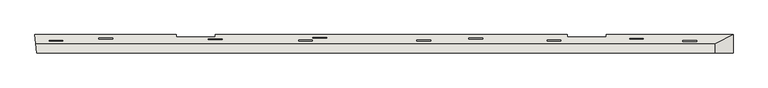
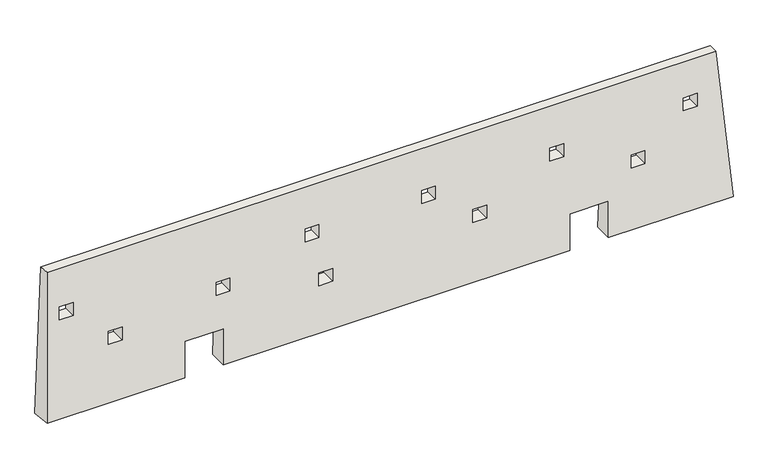
"""IFC4 building model written with IfcOpenShell, lengths in millimetres: wall geometry."""

from ifc_helpers import new_model, si_unit, origin, place, context, project, spatial, faceted_brep, source, transform, mapped, element, save


def wall_83248ae4(model_context):
    return source(origin(), model_context, "Body", "Brep", [
        faceted_brep([(15993.1924048, 107.6339822, 7775.0), (-15305.4177402, 104.9982531, 7775.0), (-15264.5499006, -343.1421487, 7775.0), (15993.230144, -340.5098579, 7775.0), (16810.5587162, 507.7028156, 300.0), (16810.6302967, -342.297181, 300.0), (10979.0425709, -342.7882726, 300.0), (10978.9709904, 507.211724, 300.0), (-15264.3806308, -344.9982927, 300.0), (-15341.8951706, 504.9951823, 300.0), (-8829.7789982, 505.5435828, 300.0), (-8829.7074177, -344.4564138, 300.0), (-7029.7074241, -344.3048316, 300.0), (-7029.7790046, 505.695165, 300.0), (9178.9709968, 507.0601418, 300.0), (9179.0425773, -342.9398548, 300.0), (10978.9791018, 410.8906547, 2099.9999897), (9178.9791082, 410.7390725, 2099.9999897), (-7029.7708932, 409.374095, 2100.0000045), (-8829.7708868, 409.2225128, 2100.0000045), (14491.5013055, 203.4104259, 5982.8144753), (14491.4984214, 237.6579174, 5342.8144753), (15131.4984192, 237.7118133, 5342.8144753), (15131.5013032, 203.4643218, 5982.8144753), (12043.2775806, 308.5020408, 4015.062114), (12043.2746966, 342.7495323, 3375.062114), (12683.2746943, 342.8034282, 3375.062114), (12683.2775783, 308.5559367, 4015.062114), (8245.2783488, 218.3439959, 5693.9135937), (8245.2754647, 252.5914873, 5053.9135937), (8885.2754624, 252.6453832, 5053.9135937), (8885.2783465, 218.3978918, 5693.9135937), (4647.850112, 313.5948185, 3908.2525123), (4647.8472279, 347.84231, 3268.2525123), (5287.8472256, 347.8962059, 3268.2525123), (5287.8501097, 313.6487144, 3908.2525123), (2247.2878527, 218.7835474, 5676.260328), (2247.2849687, 253.0310389, 5036.260328), (2887.2849664, 253.0849348, 5036.260328), (2887.2878505, 218.8374433, 5676.260328), (-2551.4417606, 345.6898541, 3297.1468802), (-2551.4446447, 379.9373456, 2657.1468802), (-1911.444647, 379.9912415, 2657.1468802), (-1911.4417629, 345.74375, 3297.1468802), (-3198.6197119, 217.7686924, 5686.6551068), (-3198.622596, 252.0161839, 5046.6551068), (-2558.6225983, 252.0700798, 5046.6551068), (-2558.6197142, 217.8225883, 5686.6551068), (-7354.1230273, 281.2073346, 4494.6058936), (-7354.1259113, 315.4548261, 3854.6058936), (-6714.1259136, 315.508722, 3854.6058936), (-6714.1230295, 281.2612305, 4494.6058936), (-12398.3313883, 315.4085251, 3847.5329869), (-12398.3342723, 349.6560166, 3207.5329869), (-11758.3342746, 349.7099125, 3207.5329869), (-11758.3313905, 315.462421, 3847.5329869), (-14689.0796923, 208.1925035, 5847.5273926), (-14689.0825764, 242.439995, 5207.5273926), (-14049.0825787, 242.4938909, 5207.5273926), (-14049.0796946, 208.2463994, 5847.5273926), (-8829.7074554, -344.0094459, 2100.0000045), (-7029.7074617, -343.8578637, 2100.0000045), (9179.0425396, -342.492887, 2099.9999897), (10979.0425333, -342.3413048, 2099.9999897), (14491.5471718, -341.2402675, 5342.8144753), (14491.5471584, -341.0813456, 5982.8144753), (15131.5471561, -341.0274497, 5982.8144753), (15131.5471695, -341.1863716, 5342.8144753), (12043.3323554, -341.9350608, 3375.062114), (12043.3323421, -341.7761388, 4015.062114), (12683.3323398, -341.7222429, 4015.062114), (12683.3323532, -341.8811649, 3375.062114), (8245.325523, -341.838015, 5053.9135937), (8245.3255096, -341.6790931, 5693.9135937), (8885.3255073, -341.6251972, 5693.9135937), (8885.3255207, -341.7841191, 5053.9135937), (4647.9053703, -342.5843694, 3268.2525123), (4647.905357, -342.4254475, 3908.2525123), (5287.9053547, -342.3715516, 3908.2525123), (5287.9053681, -342.5304735, 3268.2525123), (2247.3351069, -342.3475034, 5036.260328), (2247.3350935, -342.1885814, 5676.260328), (2887.3350912, -342.1346855, 5676.260328), (2887.3351046, -342.2936075, 5036.260328), (-2551.3837356, -343.3423854, 2657.1468802), (-2551.383749, -343.1834635, 3297.1468802), (-1911.3837513, -343.1295676, 3297.1468802), (-1911.3837379, -343.2884895, 2657.1468802), (-3198.5725048, -342.8035348, 5046.6551068), (-3198.5725182, -342.6446129, 5686.6551068), (-2558.5725205, -342.590717, 5686.6551068), (-2558.5725071, -342.7496389, 5046.6551068), (-7354.0704235, -343.4494833, 3854.6058936), (-7354.0704368, -343.2905614, 4494.6058936), (-6714.0704391, -343.2366655, 4494.6058936), (-6714.0704257, -343.3955874, 3854.6058936), (-12398.275855, -344.0349458, 3207.5329869), (-12398.2758684, -343.8760239, 3847.5329869), (-11758.2758706, -343.822128, 3847.5329869), (-11758.2758573, -343.9810499, 3207.5329869), (-14689.0332135, -343.7312263, 5207.5273926), (-14689.0332269, -343.5723044, 5847.5273926), (-14049.0332292, -343.5184085, 5847.5273926), (-14049.0332158, -343.6773304, 5207.5273926)], [[[0, 1, 2, 3]], [[4, 5, 6, 7]], [[8, 9, 10, 11]], [[12, 13, 14, 15]], [[1, 0, 4, 7, 16, 17, 14, 13, 18, 19, 10, 9], [20, 21, 22, 23], [24, 25, 26, 27], [28, 29, 30, 31], [32, 33, 34, 35], [36, 37, 38, 39], [40, 41, 42, 43], [44, 45, 46, 47], [48, 49, 50, 51], [52, 53, 54, 55], [56, 57, 58, 59]], [[2, 1, 9, 8]], [[3, 2, 8, 11, 60, 61, 12, 15, 62, 63, 6, 5], [64, 65, 66, 67], [68, 69, 70, 71], [72, 73, 74, 75], [76, 77, 78, 79], [80, 81, 82, 83], [84, 85, 86, 87], [88, 89, 90, 91], [92, 93, 94, 95], [96, 97, 98, 99], [100, 101, 102, 103]], [[0, 3, 5, 4]], [[61, 18, 13, 12]], [[18, 61, 60, 19]], [[19, 60, 11, 10]], [[63, 16, 7, 6]], [[16, 63, 62, 17]], [[17, 62, 15, 14]], [[64, 21, 20, 65]], [[65, 20, 23, 66]], [[66, 23, 22, 67]], [[21, 64, 67, 22]], [[68, 25, 24, 69]], [[69, 24, 27, 70]], [[70, 27, 26, 71]], [[25, 68, 71, 26]], [[72, 29, 28, 73]], [[73, 28, 31, 74]], [[74, 31, 30, 75]], [[29, 72, 75, 30]], [[76, 33, 32, 77]], [[77, 32, 35, 78]], [[78, 35, 34, 79]], [[33, 76, 79, 34]], [[80, 37, 36, 81]], [[81, 36, 39, 82]], [[82, 39, 38, 83]], [[37, 80, 83, 38]], [[84, 41, 40, 85]], [[85, 40, 43, 86]], [[86, 43, 42, 87]], [[41, 84, 87, 42]], [[88, 45, 44, 89]], [[89, 44, 47, 90]], [[90, 47, 46, 91]], [[45, 88, 91, 46]], [[92, 49, 48, 93]], [[93, 48, 51, 94]], [[94, 51, 50, 95]], [[49, 92, 95, 50]], [[96, 53, 52, 97]], [[97, 52, 55, 98]], [[98, 55, 54, 99]], [[53, 96, 99, 54]], [[100, 57, 56, 101]], [[101, 56, 59, 102]], [[102, 59, 58, 103]], [[57, 100, 103, 58]]]),
    ])


if __name__ == "__main__":
    model = new_model("IFC4")
    model_context = context("Model", 3, world=origin())
    ifc_project = project(units=[si_unit("LENGTHUNIT", "METRE", prefix="MILLI")], contexts=[model_context])
    site = spatial("IfcSite", under=ifc_project)
    building = spatial("IfcBuilding", under=site)
    placement = place(None, origin())
    wall_shape = wall_83248ae4(model_context)
    element("IfcWall", 1, at=placement, inside=building, context=model_context, shape_type="MappedRepresentation", body=[
        mapped(wall_shape, transform((0.0, 0.0, 0.0), x_axis=(1.0, 0.0, 0.0), y_axis=(0.0, 1.0, 0.0), z_axis=(0.0, 0.0, 1.0))),
    ])
    save(model, "model.ifc")
